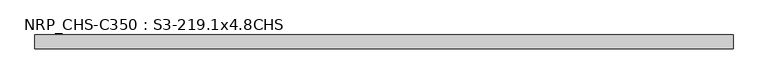
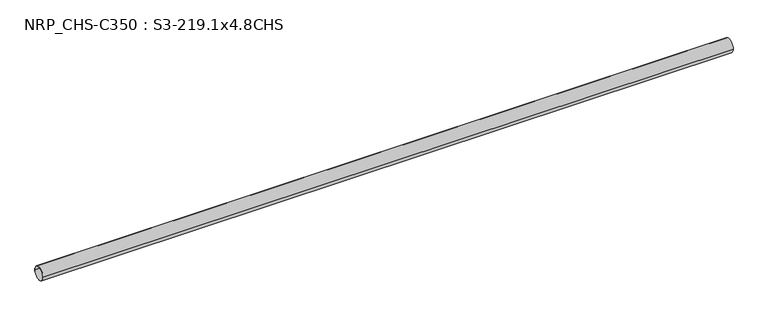
"""IFC4 building model written with IfcOpenShell, lengths in millimetres: beam geometry, NRP_CHS-C350 : S3-219.1x4.8CHS."""

from ifc_helpers import new_model, si_unit, point, frame, origin, origin_2d, place, context, project, spatial, circle_curve, trimmed, segment, composite_curve, outline, extrude, source, transform, mapped, element, save


def nrp_chs_c350_s3_219_1x4_8chs_adaee37c(model_context):
    return source(origin(), model_context, "Body", "SweptSolid", [
        extrude(outline(composite_curve([segment(trimmed(circle_curve(origin_2d(), 109.55), [point((109.55, 0.0))], [point((-109.55, 0.0))], False, "CARTESIAN"), True, "CONTINUOUS"), segment(trimmed(circle_curve(origin_2d(), 109.55), [point((-109.55, 0.0))], [point((109.55, 0.0))], False, "CARTESIAN"), True, "CONTINUOUS")], self_intersect=False), holes=[composite_curve([segment(trimmed(circle_curve(origin_2d(), 104.75), [point((-104.75, 0.0))], [point((104.75, 0.0))], True, "CARTESIAN"), True, "CONTINUOUS"), segment(trimmed(circle_curve(origin_2d(), 104.75), [point((104.75, 0.0))], [point((-104.75, 0.0))], True, "CARTESIAN"), True, "CONTINUOUS")], self_intersect=False)]), frame((-5522.8, 0.0, 0.0), z_axis=(1.0, 0.0, 0.0), x_axis=(0.0, 1.0, 0.0)), (0.0, 0.0, 1.0), 11055.6),
    ])


if __name__ == "__main__":
    model = new_model("IFC4")
    model_context = context("Model", 3, world=origin())
    ifc_project = project(units=[si_unit("LENGTHUNIT", "METRE", prefix="MILLI")], contexts=[model_context])
    site = spatial("IfcSite", under=ifc_project)
    building = spatial("IfcBuilding", under=site)
    placement = place(None, origin())
    nrp_chs_c350_s3_219_1x4_8chs_shape = nrp_chs_c350_s3_219_1x4_8chs_adaee37c(model_context)
    element("IfcBeam", 1, ObjectType="NRP_CHS-C350 : S3-219.1x4.8CHS", at=placement, inside=building, context=model_context, shape_type="MappedRepresentation", body=[
        mapped(nrp_chs_c350_s3_219_1x4_8chs_shape, transform((0.0, 0.0, 0.0), x_axis=(1.0, 0.0, 0.0), y_axis=(0.0, 1.0, 0.0), z_axis=(0.0, 0.0, 1.0))),
    ])
    save(model, "model.ifc")
